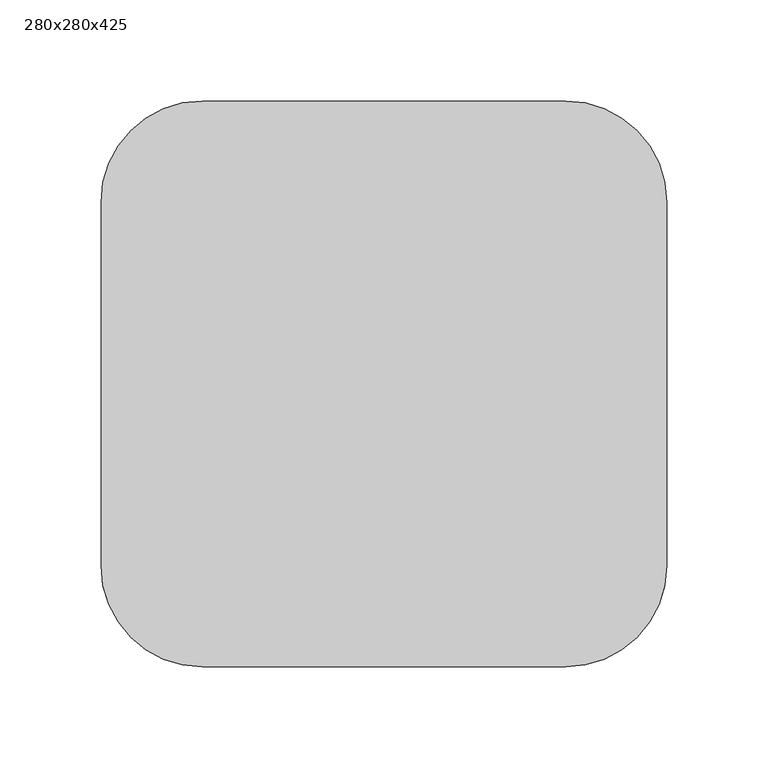
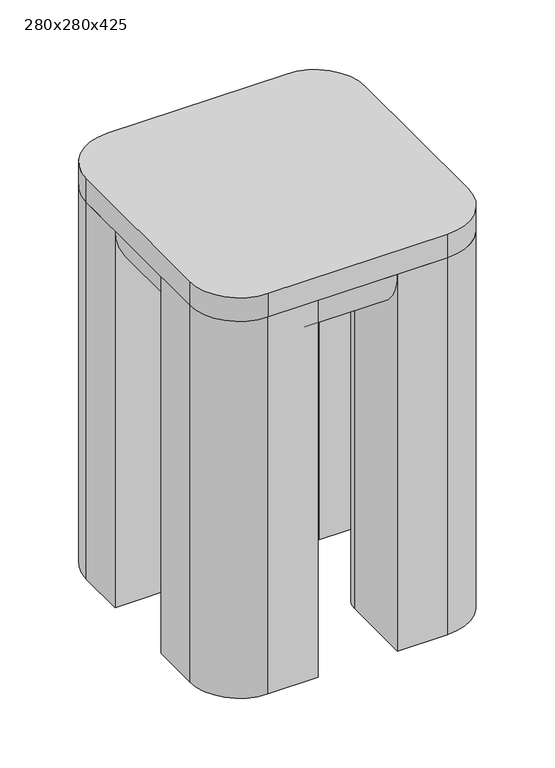
"""IFC4 building model written with IfcOpenShell, lengths in millimetres: furniture geometry, 280x280x425."""

from ifc_helpers import new_model, si_unit, point, frame, frame_2d, origin, origin_with_axes, place, context, project, spatial, polyline, circle_curve, trimmed, segment, composite_curve, outline, extrude, source, transform, mapped, element, save


def furniture_280x280x425_8c19eef5(model_context):
    return source(origin(), model_context, "Body", "SweptSolid", [
        extrude(outline(composite_curve([segment(trimmed(circle_curve(frame_2d((50.0, -50.0)), 50.0), [point((0.0, -50.0))], [point((50.0, 0.0))], False, "CARTESIAN"), True, "CONTINUOUS"), segment(polyline([(50.0, 0.0), (230.0, 0.0)]), True, "CONTINUOUS"), segment(trimmed(circle_curve(frame_2d((230.0, -50.0)), 50.0), [point((230.0, 0.0))], [point((280.0, -50.0))], False, "CARTESIAN"), True, "CONTINUOUS"), segment(polyline([(280.0, -50.0), (280.0, -230.0)]), True, "CONTINUOUS"), segment(trimmed(circle_curve(frame_2d((230.0, -230.0)), 50.0), [point((280.0, -230.0))], [point((230.0, -280.0))], False, "CARTESIAN"), True, "CONTINUOUS"), segment(polyline([(230.0, -280.0), (50.0, -280.0)]), True, "CONTINUOUS"), segment(trimmed(circle_curve(frame_2d((50.0, -230.0)), 50.0), [point((50.0, -280.0))], [point((0.0, -230.0))], False, "CARTESIAN"), True, "CONTINUOUS"), segment(polyline([(0.0, -230.0), (0.0, -50.0)]), True, "CONTINUOUS")], self_intersect=False)), frame((0.0, 0.0, 400.0), z_axis=(0.0, 0.0, 1.0), x_axis=(1.0, 0.0, 0.0)), (0.0, 0.0, 1.0), 25.0),
        extrude(outline(composite_curve([segment(trimmed(circle_curve(frame_2d((230.0, -230.0)), 50.0), [point((280.0, -230.0))], [point((230.0, -280.0))], False, "CARTESIAN"), True, "CONTINUOUS"), segment(polyline([(230.0, -280.0), (180.0, -280.0), (180.0, -205.0)]), True, "CONTINUOUS"), segment(trimmed(circle_curve(frame_2d((205.0, -205.0)), 25.0), [point((180.0, -205.0))], [point((205.0, -180.0))], False, "CARTESIAN"), True, "CONTINUOUS"), segment(polyline([(205.0, -180.0), (280.0, -180.0), (280.0, -230.0)]), True, "CONTINUOUS")], self_intersect=False)), origin_with_axes(), (0.0, 0.0, 1.0), 400.0),
        extrude(outline(composite_curve([segment(trimmed(circle_curve(frame_2d((50.0, -230.0)), 50.0), [point((50.0, -280.0))], [point((0.0, -230.0))], False, "CARTESIAN"), True, "CONTINUOUS"), segment(polyline([(0.0, -230.0), (0.0, -180.0), (75.0, -180.0)]), True, "CONTINUOUS"), segment(trimmed(circle_curve(frame_2d((75.0, -205.0)), 25.0), [point((75.0, -180.0))], [point((100.0, -205.0))], False, "CARTESIAN"), True, "CONTINUOUS"), segment(polyline([(100.0, -205.0), (100.0, -280.0), (50.0, -280.0)]), True, "CONTINUOUS")], self_intersect=False)), origin_with_axes(), (0.0, 0.0, 1.0), 400.0),
        extrude(outline(composite_curve([segment(trimmed(circle_curve(frame_2d((230.0, -50.0)), 50.0), [point((230.0, 0.0))], [point((280.0, -50.0))], False, "CARTESIAN"), True, "CONTINUOUS"), segment(polyline([(280.0, -50.0), (280.0, -100.0), (205.0, -100.0)]), True, "CONTINUOUS"), segment(trimmed(circle_curve(frame_2d((205.0, -75.0)), 25.0), [point((205.0, -100.0))], [point((180.0, -75.0))], False, "CARTESIAN"), True, "CONTINUOUS"), segment(polyline([(180.0, -75.0), (180.0, 0.0), (230.0, 0.0)]), True, "CONTINUOUS")], self_intersect=False)), origin_with_axes(), (0.0, 0.0, 1.0), 400.0),
        extrude(outline(composite_curve([segment(trimmed(circle_curve(frame_2d((50.0, -50.0)), 50.0), [point((0.0, -50.0))], [point((50.0, 0.0))], False, "CARTESIAN"), True, "CONTINUOUS"), segment(polyline([(50.0, 0.0), (100.0, 0.0), (100.0, -75.0)]), True, "CONTINUOUS"), segment(trimmed(circle_curve(frame_2d((75.0, -75.0)), 25.0), [point((100.0, -75.0))], [point((75.0, -100.0))], False, "CARTESIAN"), True, "CONTINUOUS"), segment(polyline([(75.0, -100.0), (0.0, -100.0), (0.0, -50.0)]), True, "CONTINUOUS")], self_intersect=False)), origin_with_axes(), (0.0, 0.0, 1.0), 400.0),
        extrude(outline(composite_curve([segment(polyline([(-205.0, 400.0), (-205.0, 350.0), (-230.0, 350.0)]), True, "CONTINUOUS"), segment(trimmed(circle_curve(frame_2d((-230.0, 400.0)), 50.0), [point((-230.0, 350.0))], [point((-280.0, 400.0))], False, "CARTESIAN"), True, "CONTINUOUS"), segment(polyline([(-280.0, 400.0), (-205.0, 400.0)]), True, "CONTINUOUS")], self_intersect=False)), frame((100.0, 0.0, 0.0), z_axis=(1.0, 0.0, 0.0), x_axis=(0.0, 1.0, 0.0)), (0.0, 0.0, 1.0), 80.0),
        extrude(outline(composite_curve([segment(polyline([(-75.0, 400.0), (0.0, 400.0)]), True, "CONTINUOUS"), segment(trimmed(circle_curve(frame_2d((-50.0, 400.0)), 50.0), [point((0.0, 400.0))], [point((-50.0, 350.0))], False, "CARTESIAN"), True, "CONTINUOUS"), segment(polyline([(-50.0, 350.0), (-75.0, 350.0), (-75.0, 400.0)]), True, "CONTINUOUS")], self_intersect=False)), frame((100.0, 0.0, 0.0), z_axis=(1.0, 0.0, 0.0), x_axis=(0.0, 1.0, 0.0)), (0.0, 0.0, 1.0), 80.0),
        extrude(outline(composite_curve([segment(polyline([(400.0, 205.0), (350.0, 205.0), (350.0, 230.0)]), True, "CONTINUOUS"), segment(trimmed(circle_curve(frame_2d((400.0, 230.0)), 50.0), [point((350.0, 230.0))], [point((400.0, 280.0))], False, "CARTESIAN"), True, "CONTINUOUS"), segment(polyline([(400.0, 280.0), (400.0, 205.0)]), True, "CONTINUOUS")], self_intersect=False)), frame((0.0, -180.0, 0.0), z_axis=(0.0, 1.0, 0.0), x_axis=(0.0, 0.0, 1.0)), (0.0, 0.0, 1.0), 80.0),
        extrude(outline(composite_curve([segment(polyline([(400.0, 75.0), (400.0, 0.0)]), True, "CONTINUOUS"), segment(trimmed(circle_curve(frame_2d((400.0, 50.0)), 50.0), [point((400.0, 0.0))], [point((350.0, 50.0))], False, "CARTESIAN"), True, "CONTINUOUS"), segment(polyline([(350.0, 50.0), (350.0, 75.0), (400.0, 75.0)]), True, "CONTINUOUS")], self_intersect=False)), frame((0.0, -180.0, 0.0), z_axis=(0.0, 1.0, 0.0), x_axis=(0.0, 0.0, 1.0)), (0.0, 0.0, 1.0), 80.0),
    ])


if __name__ == "__main__":
    model = new_model("IFC4")
    model_context = context("Model", 3, world=origin())
    ifc_project = project(units=[si_unit("LENGTHUNIT", "METRE", prefix="MILLI")], contexts=[model_context])
    site = spatial("IfcSite", under=ifc_project)
    building = spatial("IfcBuilding", under=site)
    placement = place(None, origin())
    furniture_280x280x425_shape = furniture_280x280x425_8c19eef5(model_context)
    element("IfcFurniture", 1, ObjectType="280x280x425", at=placement, inside=building, context=model_context, shape_type="MappedRepresentation", body=[
        mapped(furniture_280x280x425_shape, transform((0.0, 0.0, 0.0), x_axis=(1.0, 0.0, 0.0), y_axis=(0.0, 1.0, 0.0), z_axis=(0.0, 0.0, 1.0))),
    ])
    save(model, "model.ifc")
